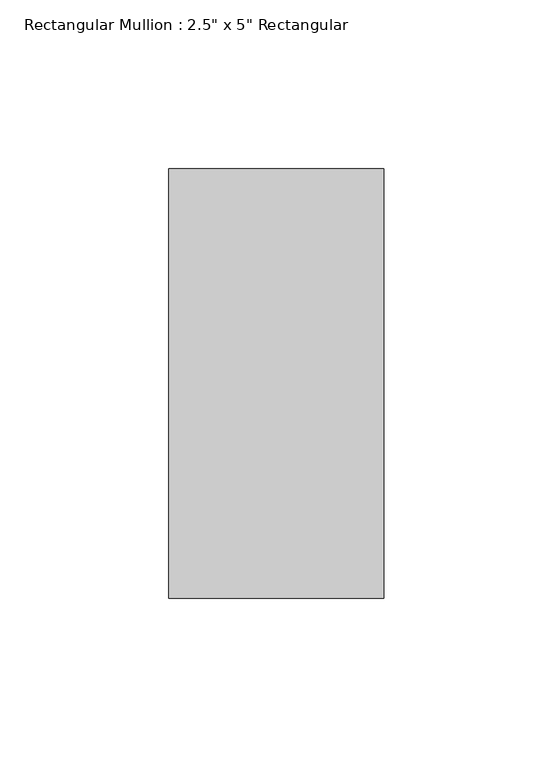
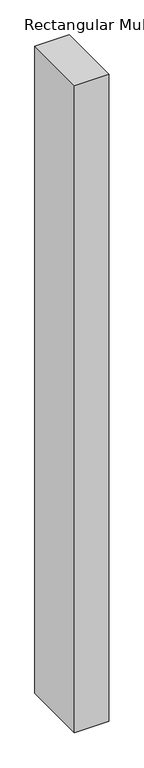
"""IFC4 building model written with IfcOpenShell, lengths in millimetres: member geometry."""

from ifc_helpers import new_model, si_unit, frame, origin, place, context, project, spatial, polyline, outline, extrude, source, transform, mapped, element, save


def member_2b44a902(model_context):
    return source(origin(), model_context, "Body", "SweptSolid", [
        extrude(outline(polyline([(31.75, 63.5), (31.75, -63.5), (-31.75, -63.5), (-31.75, 63.5), (31.75, 63.5)])), frame((0.0, 0.0, -1270.0), z_axis=(0.0, 0.0, 1.0), x_axis=(1.0, 0.0, 0.0)), (0.0, 0.0, 1.0), 1270.0),
    ])


if __name__ == "__main__":
    model = new_model("IFC4")
    model_context = context("Model", 3, world=origin())
    ifc_project = project(units=[si_unit("LENGTHUNIT", "METRE", prefix="MILLI")], contexts=[model_context])
    site = spatial("IfcSite", under=ifc_project)
    building = spatial("IfcBuilding", under=site)
    placement = place(None, origin())
    member_shape = member_2b44a902(model_context)
    element("IfcMember", 1, ObjectType="Rectangular Mullion : 2.5\" x 5\" Rectangular", at=placement, inside=building, context=model_context, shape_type="MappedRepresentation", body=[
        mapped(member_shape, transform((0.0, 0.0, 0.0), x_axis=(1.0, 0.0, 0.0), y_axis=(0.0, 1.0, 0.0), z_axis=(0.0, 0.0, 1.0))),
    ])
    save(model, "model.ifc")
